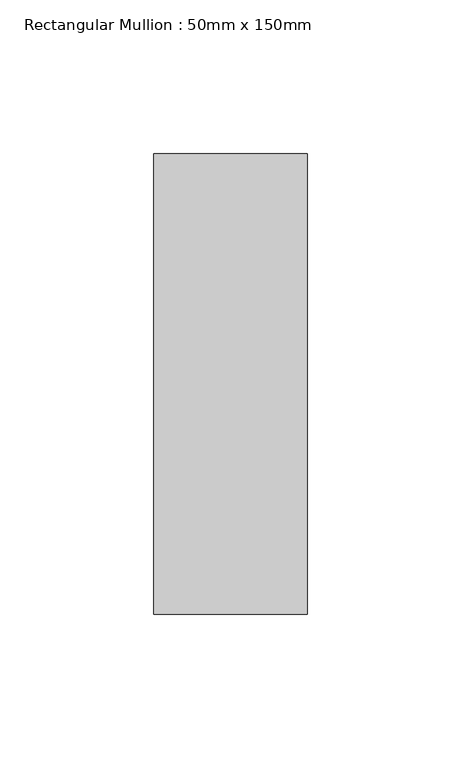
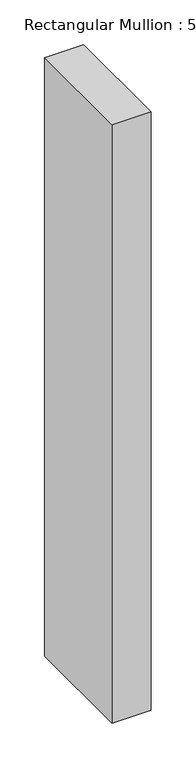
"""IFC4 building model written with IfcOpenShell, lengths in millimetres: member geometry, Rectangular Mullion : 50mm x 150mm."""

from ifc_helpers import new_model, si_unit, frame, origin, place, context, project, spatial, polyline, outline, extrude, source, transform, mapped, element, save


def rectangular_mullion_50mm_x_150mm_c0a88e3f(model_context):
    return source(origin(), model_context, "Body", "SweptSolid", [
        extrude(outline(polyline([(0.0, 75.0), (0.0, -75.0), (-50.0, -75.0), (-50.0, 75.0), (0.0, 75.0)])), frame((0.0, 0.0, -813.3442596), z_axis=(0.0, 0.0, 1.0), x_axis=(1.0, 0.0, 0.0)), (0.0, 0.0, 1.0), 813.3442596),
    ])


if __name__ == "__main__":
    model = new_model("IFC4")
    model_context = context("Model", 3, world=origin())
    ifc_project = project(units=[si_unit("LENGTHUNIT", "METRE", prefix="MILLI")], contexts=[model_context])
    site = spatial("IfcSite", under=ifc_project)
    building = spatial("IfcBuilding", under=site)
    placement = place(None, origin())
    rectangular_mullion_50mm_x_150mm_shape = rectangular_mullion_50mm_x_150mm_c0a88e3f(model_context)
    element("IfcMember", 1, ObjectType="Rectangular Mullion : 50mm x 150mm", at=placement, inside=building, context=model_context, shape_type="MappedRepresentation", body=[
        mapped(rectangular_mullion_50mm_x_150mm_shape, transform((0.0, 0.0, 0.0), x_axis=(1.0, 0.0, 0.0), y_axis=(0.0, 1.0, 0.0), z_axis=(0.0, 0.0, 1.0))),
    ])
    save(model, "model.ifc")
